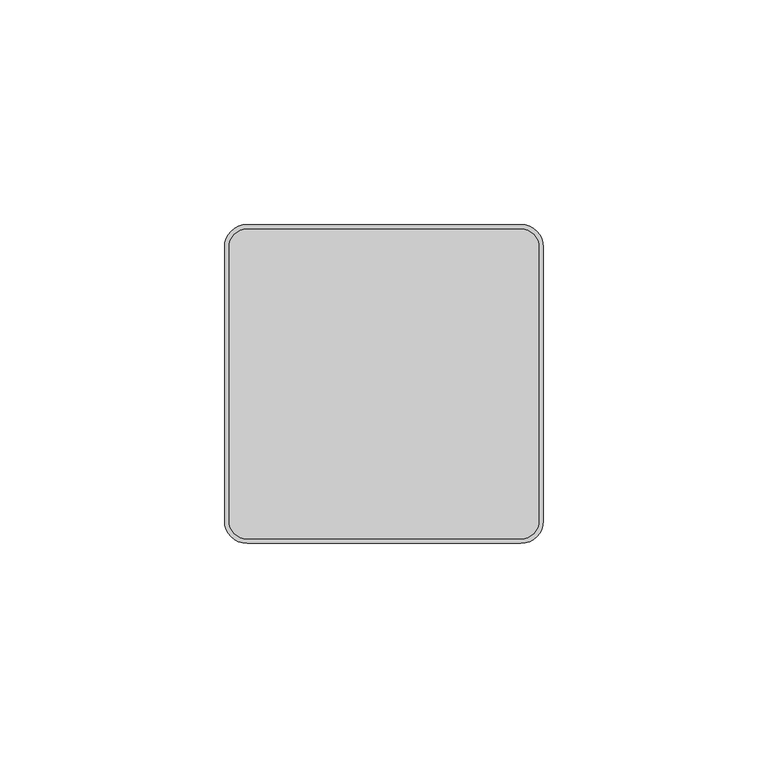
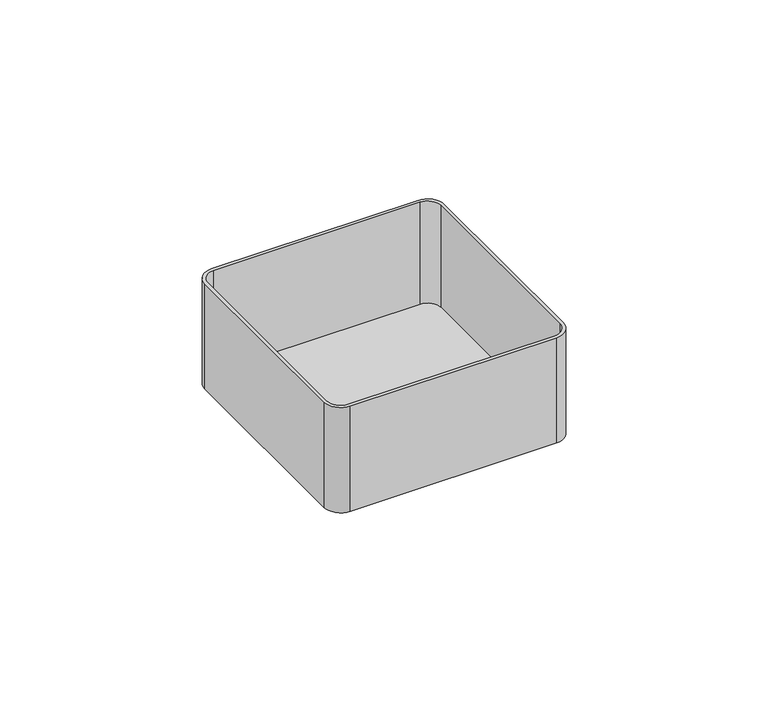
"""IFC4 building model written with IfcOpenShell, lengths in millimetres: proxy geometry."""

import ifcopenshell
import ifcopenshell.guid

model = None  # the IFC model being written
_history = None  # IfcOwnerHistory: only IFC2X3 demands one
_inside = {}  # id of a spatial element -> (the spatial element, [elements in it])
_under = {}  # id of a project, library or spatial element -> (it, [spatial elements below it])
_declared = {}  # id of a project -> (the project, [libraries it declares])
_typed = {}  # id of a type object -> (the type object, [elements of that type])
_made_of = {}  # id of a material, layer set ... -> (it, [elements and type objects made of it])


def new_model(schema):
    """Start an empty IFC model of exactly this schema.

    Asked for "IFC4X3", IfcOpenShell would pick the latest addendum, in which some entities
    have other attributes; the version numbers below select the first issue.
    IFC2X3 requires an IfcOwnerHistory on every rooted entity: one is made here for all.
    """
    global model, _history
    if schema == "IFC4X3":
        model = ifcopenshell.file(schema_version=(4, 3, 0, 0))
    else:
        model = ifcopenshell.file(schema=schema)
    _inside.clear()
    _under.clear()
    _declared.clear()
    _typed.clear()
    _made_of.clear()
    _history = None
    if model.schema == "IFC2X3":
        org = make("IfcOrganization", Name="unknown")
        user = make(
            "IfcPersonAndOrganization",
            ThePerson=make("IfcPerson", FamilyName="unknown"),
            TheOrganization=org,
        )
        app = make(
            "IfcApplication",
            ApplicationDeveloper=org,
            Version="unknown",
            ApplicationFullName="unknown",
            ApplicationIdentifier="unknown",
        )
        _history = make(
            "IfcOwnerHistory",
            OwningUser=user,
            OwningApplication=app,
            ChangeAction="ADDED",
            CreationDate=0,
        )
    return model


def make(cls, **values):
    """One entity of the class cls with the attributes given. An attribute that is None is left unset."""
    return model.create_entity(
        cls, **{name: value for name, value in values.items() if value is not None}
    )


def rooted(cls, **values):
    """An entity with a GlobalId (a new one), such as an element, a storey or a relation."""
    return make(cls, GlobalId=ifcopenshell.guid.new(), OwnerHistory=_history, **values)


def si_unit(unit_type, name, prefix=None):
    """IfcSIUnit, for example si_unit("LENGTHUNIT", "METRE", prefix="MILLI")."""
    return make("IfcSIUnit", UnitType=unit_type, Prefix=prefix, Name=name)


def assignment(units):
    """IfcUnitAssignment: the units of a project."""
    return None if units is None else make("IfcUnitAssignment", Units=units)


def point(xyz):
    """IfcCartesianPoint."""
    return None if xyz is None else make("IfcCartesianPoint", Coordinates=xyz)


def direction(xyz):
    """IfcDirection."""
    return None if xyz is None else make("IfcDirection", DirectionRatios=xyz)


def frame(location, z_axis=None, x_axis=None):
    """IfcAxis2Placement3D, a coordinate frame: its origin and axes. An axis left out is left unset."""
    return make(
        "IfcAxis2Placement3D",
        Location=point(location),
        Axis=direction(z_axis),
        RefDirection=direction(x_axis),
    )


def frame_2d(location, x_axis=None):
    """IfcAxis2Placement2D, a coordinate frame in the plane: its origin and x axis."""
    return make(
        "IfcAxis2Placement2D", Location=point(location), RefDirection=direction(x_axis)
    )


def origin():
    """The frame at (0, 0, 0) with its axes left unset."""
    return frame((0.0, 0.0, 0.0))


def place(relative_to, where):
    """IfcLocalPlacement: puts the frame where relative to a parent placement (None: the world)."""
    return make(
        "IfcLocalPlacement", PlacementRelTo=relative_to, RelativePlacement=where
    )


def context(
    kind, dimensions, precision=None, world=None, true_north=None, identifier=None
):
    """IfcGeometricRepresentationContext, for example the 3D "Model" context."""
    return make(
        "IfcGeometricRepresentationContext",
        ContextIdentifier=identifier,
        ContextType=kind,
        CoordinateSpaceDimension=dimensions,
        Precision=precision,
        WorldCoordinateSystem=world,
        TrueNorth=true_north,
    )


def project(units=None, contexts=None):
    """IfcProject with its units and contexts."""
    return rooted(
        "IfcProject",
        Name="project",
        RepresentationContexts=contexts,
        UnitsInContext=assignment(units),
    )


def spatial(cls, under=None, at=None, **own):
    """A site, building, storey or space (cls), placed at a placement, below another one or the project."""
    s = rooted(cls, ObjectPlacement=at, **own)
    if under is not None:
        _under.setdefault(under.id(), (under, []))[1].append(s)
    return s


def polyline(points):
    """IfcPolyline through the points."""
    return make("IfcPolyline", Points=[point(p) for p in points])


def circle_curve(where, radius):
    """IfcCircle in the frame where."""
    return make("IfcCircle", Position=where, Radius=radius)


def trimmed(basis, trim1, trim2, sense, master):
    """IfcTrimmedCurve: the piece of a basis curve between two trims."""
    return make(
        "IfcTrimmedCurve",
        BasisCurve=basis,
        Trim1=trim1,
        Trim2=trim2,
        SenseAgreement=sense,
        MasterRepresentation=master,
    )


def segment(curve, same_sense, transition):
    """IfcCompositeCurveSegment."""
    return make(
        "IfcCompositeCurveSegment",
        Transition=transition,
        SameSense=same_sense,
        ParentCurve=curve,
    )


def composite_curve(segments, self_intersect=None):
    """IfcCompositeCurve: segments joined end to end."""
    return make("IfcCompositeCurve", Segments=segments, SelfIntersect=self_intersect)


def outline(outer, holes=None, kind="AREA"):
    """IfcArbitraryClosedProfileDef: a profile drawn as a closed curve; with holes, ...WithVoids."""
    if holes is None:
        return make("IfcArbitraryClosedProfileDef", ProfileType=kind, OuterCurve=outer)
    return make(
        "IfcArbitraryProfileDefWithVoids",
        ProfileType=kind,
        OuterCurve=outer,
        InnerCurves=holes,
    )


def extrude(swept, where, along, depth):
    """IfcExtrudedAreaSolid: the profile swept, set in the frame where, extruded along a direction by depth."""
    return make(
        "IfcExtrudedAreaSolid",
        SweptArea=swept,
        Position=where,
        ExtrudedDirection=direction(along),
        Depth=depth,
    )


def shape(context_of_items, identifier, shape_type, items):
    """IfcShapeRepresentation: the items that make up one representation, for example the "Body"."""
    return make(
        "IfcShapeRepresentation",
        ContextOfItems=context_of_items,
        RepresentationIdentifier=identifier,
        RepresentationType=shape_type,
        Items=items,
    )


def source(mapping_origin, context_of_items, identifier, shape_type, items):
    """IfcRepresentationMap: a shape defined once, which mapped items show again and again."""
    return make(
        "IfcRepresentationMap",
        MappingOrigin=mapping_origin,
        MappedRepresentation=shape(context_of_items, identifier, shape_type, items),
    )


def transform(
    local_origin,
    x_axis=None,
    y_axis=None,
    z_axis=None,
    scale=None,
    scale2=None,
    scale3=None,
    uniform=True,
):
    """IfcCartesianTransformationOperator3D, or its non-uniform kind. x_axis, y_axis, z_axis: its Axis1, 2, 3."""
    if uniform:
        return make(
            "IfcCartesianTransformationOperator3D",
            Axis1=direction(x_axis),
            Axis2=direction(y_axis),
            LocalOrigin=point(local_origin),
            Scale=scale,
            Axis3=direction(z_axis),
        )
    return make(
        "IfcCartesianTransformationOperator3DnonUniform",
        Axis1=direction(x_axis),
        Axis2=direction(y_axis),
        LocalOrigin=point(local_origin),
        Scale=scale,
        Axis3=direction(z_axis),
        Scale2=scale2,
        Scale3=scale3,
    )


def mapped(mapping_source, mapping_target):
    """IfcMappedItem: shows the shape of a source again, moved by a transform."""
    return make(
        "IfcMappedItem", MappingSource=mapping_source, MappingTarget=mapping_target
    )


def made_of(thing, what):
    """Note that an element or type object is made of a material, layer set ...; save() writes the relation."""
    if what is not None:
        _made_of.setdefault(what.id(), (what, []))[1].append(thing)
    return thing


def element(
    cls,
    number,
    at=None,
    inside=None,
    cuts=None,
    type_object=None,
    material=None,
    context=None,
    identifier="Body",
    shape_type=None,
    held_by="IfcProductDefinitionShape",
    body=None,
    shapes=None,
    **own,
):
    """One element of the class cls, such as IfcWall. Its Tag is "e" and its number.

    at: its placement. inside: the storey or other place that contains it. cuts: it is an
    opening in that element (IfcRelVoidsElement). A single representation is given by context,
    identifier, shape_type and body (its items); several are given by shapes. held_by: the class
    of the entity that holds the representations. save() writes the other relations.
    """
    e = rooted(cls, Tag="e%d" % number, ObjectPlacement=at, **own)
    if body is not None:
        shapes = [shape(context, identifier, shape_type, body)]
    if shapes is not None:
        e.Representation = make(held_by, Representations=shapes)
    if inside is not None:
        _inside.setdefault(inside.id(), (inside, []))[1].append(e)
    if cuts is not None:
        rooted(
            "IfcRelVoidsElement", RelatingBuildingElement=cuts, RelatedOpeningElement=e
        )
    if type_object is not None:
        _typed.setdefault(type_object.id(), (type_object, []))[1].append(e)
    return made_of(e, material)


def aggregate(whole, parts):
    """IfcRelAggregates: a whole, such as a stair, and the parts it consists of."""
    return rooted("IfcRelAggregates", RelatingObject=whole, RelatedObjects=parts)


def save(model, path):
    """Write the relations noted so far, then the file.

    IfcRelAggregates (storeys below a building ...), IfcRelContainedInSpatialStructure (elements
    in a storey), IfcRelDefinesByType, IfcRelAssociatesMaterial and IfcRelDeclares: one each for
    every whole, place, type object, material and project.
    """
    for whole, parts in _under.values():
        aggregate(whole, parts)
    for where, things in _inside.values():
        rooted(
            "IfcRelContainedInSpatialStructure",
            RelatedElements=things,
            RelatingStructure=where,
        )
    for kind, things in _typed.values():
        rooted("IfcRelDefinesByType", RelatedObjects=things, RelatingType=kind)
    for what, things in _made_of.values():
        rooted("IfcRelAssociatesMaterial", RelatedObjects=things, RelatingMaterial=what)
    for by, libraries in _declared.values():
        rooted("IfcRelDeclares", RelatingContext=by, RelatedDefinitions=libraries)
    model.write(path)


def electrical_fixtures_cd853de8(model_context):
    return source(origin(), model_context, "Body", "SweptSolid", [
        extrude(outline(composite_curve([segment(polyline([(-30.5, 34.5), (30.5, 34.5)]), True, "CONTINUOUS"), segment(trimmed(circle_curve(frame_2d((30.5, 30.5)), 4.0), [point((30.5, 34.5))], [point((34.5, 30.5))], False, "CARTESIAN"), True, "CONTINUOUS"), segment(polyline([(34.5, 30.5), (34.5, -30.5)]), True, "CONTINUOUS"), segment(trimmed(circle_curve(frame_2d((30.5, -30.5)), 4.0), [point((34.5, -30.5))], [point((30.5, -34.5))], False, "CARTESIAN"), True, "CONTINUOUS"), segment(polyline([(30.5, -34.5), (-30.5, -34.5)]), True, "CONTINUOUS"), segment(trimmed(circle_curve(frame_2d((-30.5, -30.5)), 4.0), [point((-30.5, -34.5))], [point((-34.5, -30.5))], False, "CARTESIAN"), True, "CONTINUOUS"), segment(polyline([(-34.5, -30.5), (-34.5, 30.5)]), True, "CONTINUOUS"), segment(trimmed(circle_curve(frame_2d((-30.5, 30.5)), 4.0), [point((-34.5, 30.5))], [point((-30.5, 34.5))], False, "CARTESIAN"), True, "CONTINUOUS")], self_intersect=False)), frame((0.0, 0.0, -33.0), z_axis=(0.0, 0.0, 1.0), x_axis=(1.0, 0.0, 0.0)), (0.0, 0.0, 1.0), 1.0),
        extrude(outline(composite_curve([segment(polyline([(-35.5, -30.5), (-35.5, 30.5)]), True, "CONTINUOUS"), segment(trimmed(circle_curve(frame_2d((-30.5, 30.5)), 5.0), [point((-35.5, 30.5))], [point((-30.5, 35.5))], False, "CARTESIAN"), True, "CONTINUOUS"), segment(polyline([(-30.5, 35.5), (30.5, 35.5)]), True, "CONTINUOUS"), segment(trimmed(circle_curve(frame_2d((30.5, 30.5)), 5.0), [point((30.5, 35.5))], [point((35.5, 30.5))], False, "CARTESIAN"), True, "CONTINUOUS"), segment(polyline([(35.5, 30.5), (35.5, -30.5)]), True, "CONTINUOUS"), segment(trimmed(circle_curve(frame_2d((30.5, -30.5)), 5.0), [point((35.5, -30.5))], [point((30.5, -35.5))], False, "CARTESIAN"), True, "CONTINUOUS"), segment(polyline([(30.5, -35.5), (-30.5, -35.5)]), True, "CONTINUOUS"), segment(trimmed(circle_curve(frame_2d((-30.5, -30.5)), 5.0), [point((-30.5, -35.5))], [point((-35.5, -30.5))], False, "CARTESIAN"), True, "CONTINUOUS")], self_intersect=False), holes=[composite_curve([segment(trimmed(circle_curve(frame_2d((-30.5, -30.5)), 4.0), [point((-34.5, -30.5))], [point((-30.5, -34.5))], True, "CARTESIAN"), True, "CONTINUOUS"), segment(polyline([(-30.5, -34.5), (30.5, -34.5)]), True, "CONTINUOUS"), segment(trimmed(circle_curve(frame_2d((30.5, -30.5)), 4.0), [point((30.5, -34.5))], [point((34.5, -30.5))], True, "CARTESIAN"), True, "CONTINUOUS"), segment(polyline([(34.5, -30.5), (34.5, 30.5)]), True, "CONTINUOUS"), segment(trimmed(circle_curve(frame_2d((30.5, 30.5)), 4.0), [point((34.5, 30.5))], [point((30.5, 34.5))], True, "CARTESIAN"), True, "CONTINUOUS"), segment(polyline([(30.5, 34.5), (-30.5, 34.5)]), True, "CONTINUOUS"), segment(trimmed(circle_curve(frame_2d((-30.5, 30.5)), 4.0), [point((-30.5, 34.5))], [point((-34.5, 30.5))], True, "CARTESIAN"), True, "CONTINUOUS"), segment(polyline([(-34.5, 30.5), (-34.5, -30.5)]), True, "CONTINUOUS")], self_intersect=False)]), frame((0.0, 0.0, -33.0), z_axis=(0.0, 0.0, 1.0), x_axis=(1.0, 0.0, 0.0)), (0.0, 0.0, 1.0), 33.0),
    ])


if __name__ == "__main__":
    model = new_model("IFC4")
    model_context = context("Model", 3, world=origin())
    ifc_project = project(units=[si_unit("LENGTHUNIT", "METRE", prefix="MILLI")], contexts=[model_context])
    site = spatial("IfcSite", under=ifc_project)
    building = spatial("IfcBuilding", under=site)
    placement = place(None, origin())
    electrical_fixtures_shape = electrical_fixtures_cd853de8(model_context)
    element("IfcBuildingElementProxy", 1, Name="Electrical Fixtures", at=placement, inside=building, context=model_context, shape_type="MappedRepresentation", body=[
        mapped(electrical_fixtures_shape, transform((0.0, 0.0, 0.0), x_axis=(1.0, 0.0, 0.0), y_axis=(0.0, 1.0, 0.0), z_axis=(0.0, 0.0, 1.0))),
    ])
    save(model, "model.ifc")
